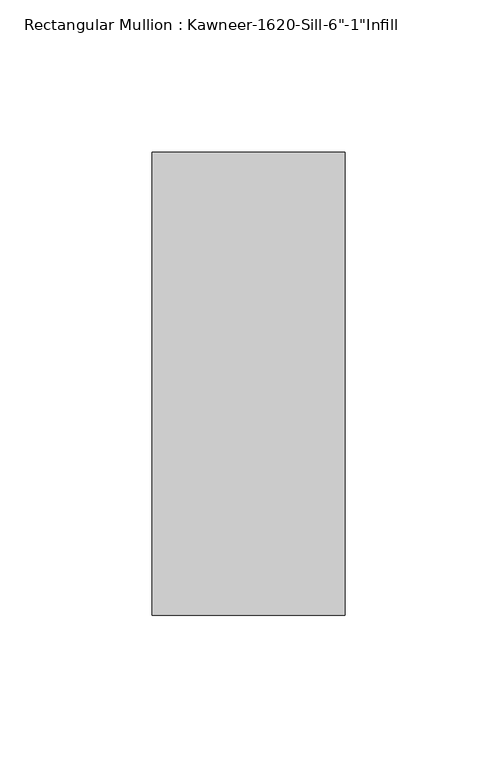
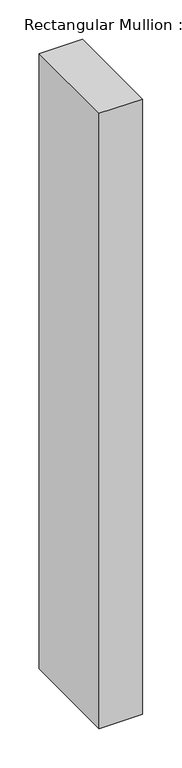
"""IFC4 building model written with IfcOpenShell, lengths in millimetres: member geometry."""

from ifc_helpers import new_model, si_unit, frame, origin, place, context, project, spatial, polyline, outline, extrude, source, transform, mapped, element, save


def member_0f89175c(model_context):
    return source(origin(), model_context, "Body", "SweptSolid", [
        extrude(outline(polyline([(-63.5, -38.1), (-63.5, 114.3), (0.0, 114.3), (0.0, -38.1), (-63.5, -38.1)])), frame((0.0, 0.0, -952.5), z_axis=(0.0, 0.0, 1.0), x_axis=(1.0, 0.0, 0.0)), (0.0, 0.0, 1.0), 952.5),
    ])


if __name__ == "__main__":
    model = new_model("IFC4")
    model_context = context("Model", 3, world=origin())
    ifc_project = project(units=[si_unit("LENGTHUNIT", "METRE", prefix="MILLI")], contexts=[model_context])
    site = spatial("IfcSite", under=ifc_project)
    building = spatial("IfcBuilding", under=site)
    placement = place(None, origin())
    member_shape = member_0f89175c(model_context)
    element("IfcMember", 1, ObjectType="Rectangular Mullion : Kawneer-1620-Sill-6\"-1\"Infill", at=placement, inside=building, context=model_context, shape_type="MappedRepresentation", body=[
        mapped(member_shape, transform((0.0, 0.0, 0.0), x_axis=(1.0, 0.0, 0.0), y_axis=(0.0, 1.0, 0.0), z_axis=(0.0, 0.0, 1.0))),
    ])
    save(model, "model.ifc")
